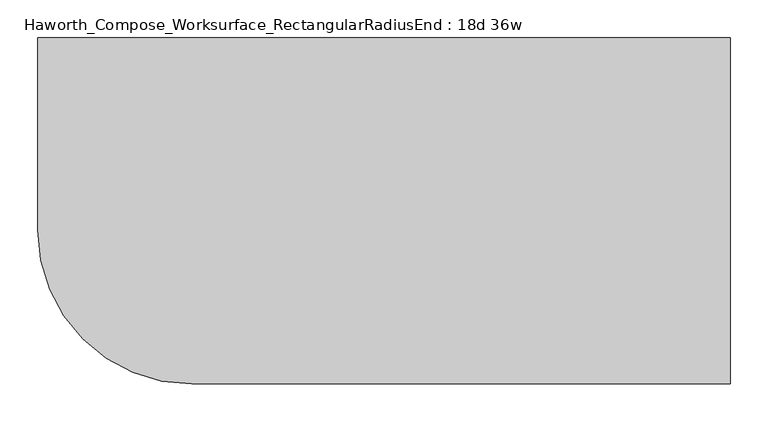
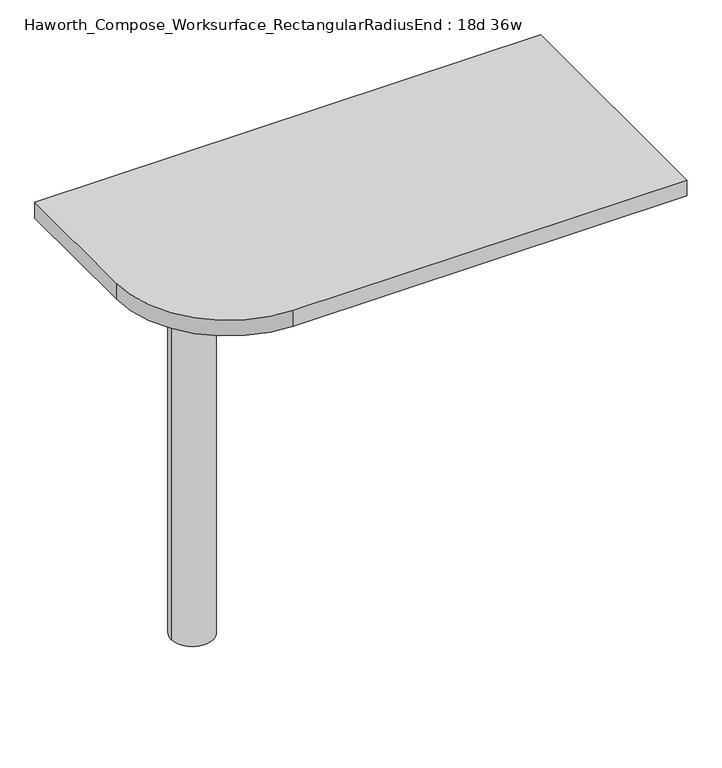
"""IFC4 building model written with IfcOpenShell, lengths in millimetres: furniture geometry, Haworth_Compose_Worksurface_RectangularRadiusEnd : 18d 36w."""

from ifc_helpers import new_model, si_unit, point, frame, frame_2d, origin, place, context, project, spatial, polyline, circle_curve, trimmed, segment, composite_curve, outline, extrude, source, transform, mapped, element, save
from ifc_brep_helpers import plane_surface, cylinder_surface, revolved_surface, advanced_brep


def haworth_compose_worksurface_rectangularradiusend_18d_36w_79e17497(model_context):
    return source(origin(), model_context, "Body", "SolidModel", [
        advanced_brep(
        [(451.64375, 228.6, 475.45625), (451.64375, 212.725, 475.45625), (451.64375, -177.8, 691.7192568), (451.64375, -177.8, 704.05625), (451.64375, 212.725, 704.05625), (451.64375, 228.6, 704.05625), (451.64375, 145.290072, 665.95625), (451.64375, 101.6355284, 665.95625), (451.64375, 98.9564235, 656.3705539), (451.64375, 190.6776173, 605.5776439), (451.64375, 200.025, 611.1756969), (451.64375, 200.025, 634.6860246), (451.64375, 198.2730055, 637.5242776), (451.64375, 148.3663437, 665.1613425), (454.025, 228.6, 475.45625), (454.025, 228.6, 704.05625), (454.025, 212.725, 704.05625), (454.025, 212.725, 706.4375), (454.025, -177.8, 706.4375), (454.025, -177.8, 691.7192568), (454.025, 212.725, 475.45625), (454.025, 145.290072, 665.95625), (454.025, 148.3663437, 665.1613425), (454.025, 198.2730055, 637.5242776), (454.025, 200.025, 634.6860246), (454.025, 200.025, 611.1756969), (454.025, 190.6776173, 605.5776439), (454.025, 98.9564235, 656.3705539), (454.025, 101.6355284, 665.95625), (412.75, -177.8, 706.4375), (412.75, -177.8, 704.05625), (412.75, 212.725, 704.05625), (412.75, 212.725, 706.4375)],
        [
            (0, 1),
            (1, 2),
            (2, 3),
            (3, 4),
            (4, 5),
            (5, 0),
            (6, 7),
            (7, 8, circle_curve(frame((451.64375, 101.6355284, 660.7890106), z_axis=(1.0, 0.0, 0.0), x_axis=(0.0, -1.0, 0.0)), 5.1672394)),
            (8, 9),
            (9, 10, circle_curve(frame((451.64375, 193.675, 611.1756969), z_axis=(1.0, 0.0, 0.0), x_axis=(0.0, -1.0, 0.0)), 6.35)),
            (10, 11),
            (11, 12, circle_curve(frame((451.64375, 196.85, 634.6860246), z_axis=(1.0, 0.0, 0.0), x_axis=(0.0, -1.0, 0.0)), 3.175)),
            (12, 13),
            (13, 6, circle_curve(frame((451.64375, 145.290072, 659.60625), z_axis=(1.0, 0.0, 0.0), x_axis=(0.0, -1.0, 0.0)), 6.35)),
            (14, 15),
            (15, 16),
            (16, 17),
            (17, 18),
            (18, 19),
            (19, 20),
            (20, 14),
            (21, 22, circle_curve(frame((454.025, 145.290072, 659.60625), z_axis=(-1.0, 0.0, 0.0), x_axis=(0.0, -1.0, 0.0)), 6.35)),
            (22, 23),
            (23, 24, circle_curve(frame((454.025, 196.85, 634.6860246), z_axis=(-1.0, 0.0, 0.0), x_axis=(0.0, -1.0, 0.0)), 3.175)),
            (24, 25),
            (25, 26, circle_curve(frame((454.025, 193.675, 611.1756969), z_axis=(-1.0, 0.0, 0.0), x_axis=(0.0, -1.0, 0.0)), 6.35)),
            (26, 27),
            (27, 28, circle_curve(frame((454.025, 101.6355284, 660.7890106), z_axis=(-1.0, 0.0, 0.0), x_axis=(0.0, -1.0, 0.0)), 5.1672394)),
            (28, 21),
            (4, 16),
            (15, 5),
            (14, 0),
            (20, 1),
            (19, 2),
            (18, 29),
            (29, 30),
            (30, 3),
            (6, 21),
            (28, 7),
            (9, 26),
            (25, 10),
            (24, 11),
            (23, 12),
            (27, 8),
            (31, 4),
            (30, 31),
            (32, 29),
            (17, 32),
            (31, 32),
            (22, 13),
        ],
        [
            plane_surface(frame((451.64375, 228.6, 475.45625), z_axis=(-1.0, 0.0, 0.0), x_axis=(0.0, 1.0, 0.0))),
            plane_surface(frame((454.025, 228.6, 475.45625), z_axis=(1.0, 0.0, 0.0), x_axis=(0.0, -1.0, 0.0))),
            plane_surface(frame((454.025, -177.8, 704.05625), z_axis=(0.0, 0.0, 1.0), x_axis=(-1.0, 0.0, 0.0))),
            plane_surface(frame((454.025, 228.6, 704.05625), z_axis=(0.0, 1.0, 0.0), x_axis=(-1.0, 0.0, 0.0))),
            plane_surface(frame((454.025, 228.6, 475.45625), z_axis=(0.0, 0.0, -1.0), x_axis=(-1.0, 0.0, 0.0))),
            plane_surface(frame((454.025, 212.725, 475.45625), z_axis=(0.0, -0.48445223513455843, -0.8748177135112952), x_axis=(-1.0, 0.0, 0.0))),
            plane_surface(frame((454.025, -177.8, 691.7192568), z_axis=(0.0, -1.0, 0.0), x_axis=(-1.0, 0.0, 0.0))),
            plane_surface(frame((454.025, 145.290072, 665.95625), z_axis=(0.0, 0.0, -1.0), x_axis=(-1.0, 0.0, 0.0))),
            revolved_surface(polyline([(451.64375, 187.32500000000002, 611.1756969), (454.025, 187.32500000000002, 611.1756969)]), (454.025, 193.675, 611.1756969), (-1.0, 0.0, 0.0)),
            plane_surface(frame((454.025, 200.025, 611.1756969), z_axis=(0.0, -1.0, 0.0), x_axis=(-1.0, 0.0, 0.0))),
            revolved_surface(polyline([(451.64375, 193.67499999999998, 634.6860246), (454.025, 193.67499999999998, 634.6860246)]), (454.025, 196.85, 634.6860246), (-1.0, 0.0, 0.0)),
            revolved_surface(polyline([(451.64375, 96.468289, 660.7890106), (454.025, 96.468289, 660.7890106)]), (454.025, 101.6355284, 660.7890106), (-1.0, 0.0, 0.0)),
            plane_surface(frame((454.025, 212.725, 704.05625), z_axis=(0.0, 0.0, -1.0), x_axis=(-1.0, 0.0, 0.0))),
            plane_surface(frame((454.025, 212.725, 706.4375), z_axis=(0.0, 0.0, 1.0), x_axis=(1.0, 0.0, 0.0))),
            plane_surface(frame((412.75, 212.725, 706.4375), z_axis=(0.0, 1.0, 0.0), x_axis=(0.0, 0.0, -1.0))),
            plane_surface(frame((412.75, -177.8, 706.4375), z_axis=(-1.0, 0.0, 0.0), x_axis=(0.0, 0.0, -1.0))),
            plane_surface(frame((454.025, 98.9564235, 656.3705539), z_axis=(0.0, 0.4844522351345583, 0.8748177135112953), x_axis=(-1.0, 0.0, 0.0))),
            plane_surface(frame((454.025, 198.2730055, 637.5242776), z_axis=(0.0, -0.4844522351345582, -0.8748177135112953), x_axis=(-1.0, 0.0, 0.0))),
            revolved_surface(polyline([(451.64375, 138.94007200000001, 659.60625), (454.025, 138.94007200000001, 659.60625)]), (454.025, 145.290072, 659.60625), (-1.0, 0.0, 0.0)),
        ],
        [
            (0, [[1, 2, 3, 4, 5, 6], [7, 8, 9, 10, 11, 12, 13, 14]]),
            (1, [[15, 16, 17, 18, 19, 20, 21], [22, 23, 24, 25, 26, 27, 28, 29]]),
            (2, [[-5, 30, -16, 31]]),
            (3, [[-31, -15, 32, -6]]),
            (4, [[-32, -21, 33, -1]]),
            (5, [[-33, -20, 34, -2]]),
            (6, [[-34, -19, 35, 36, 37, -3]]),
            (7, [[38, -29, 39, -7]]),
            (8, [[40, -26, 41, -10]]),
            (9, [[-41, -25, 42, -11]]),
            (10, [[-42, -24, 43, -12]]),
            (11, [[-39, -28, 44, -8]]),
            (12, [[45, -4, -37, 46]]),
            (13, [[47, -35, -18, 48]]),
            (14, [[-17, -30, -45, 49, -48]]),
            (15, [[-36, -47, -49, -46]]),
            (16, [[-44, -27, -40, -9]]),
            (17, [[-43, -23, 50, -13]]),
            (18, [[-50, -22, -38, -14]]),
        ],
    ),
        advanced_brep(
        [(-266.7, 0.0, 706.4375), (-342.9, 0.0, 706.4375), (-304.8, 0.0, 706.4375), (-266.7, 0.0, 0.0), (-342.9, 0.0, 0.0), (-304.8, 0.0, 0.0)],
        [
            (0, 1, circle_curve(frame((-304.8, 0.0, 706.4375), z_axis=(0.0, 0.0, 1.0), x_axis=(-1.0, 0.0, 0.0)), 38.1)),
            (1, 2),
            (2, 0),
            (1, 0, circle_curve(frame((-304.8, 0.0, 706.4375), z_axis=(0.0, 0.0, 1.0), x_axis=(-1.0, 0.0, 0.0)), 38.1)),
            (3, 4, circle_curve(frame((-304.8, 0.0, 0.0), z_axis=(0.0, 0.0, 1.0), x_axis=(-1.0, 0.0, 0.0)), 38.1)),
            (4, 1),
            (0, 3),
            (4, 3, circle_curve(frame((-304.8, 0.0, 0.0), z_axis=(0.0, 0.0, 1.0), x_axis=(-1.0, 0.0, 0.0)), 38.1)),
            (5, 4),
            (3, 5),
        ],
        [
            plane_surface(frame((-304.8, 0.0, 706.4375), z_axis=(0.0, 0.0, 1.0), x_axis=(-1.0, 0.0, 0.0))),
            cylinder_surface(frame((-304.8, 0.0, 889.623257), z_axis=(0.0, 0.0, -1.0), x_axis=(-1.0, 0.0, 0.0)), 38.1),
            plane_surface(frame((-304.8, 0.0, 0.0), z_axis=(0.0, 0.0, -1.0), x_axis=(-1.0, 0.0, 0.0))),
        ],
        [
            (0, [[1, 2, 3]]),
            (0, [[4, -3, -2]]),
            (1, [[5, 6, -1, 7]]),
            (1, [[8, -7, -4, -6]]),
            (2, [[9, -5, 10]]),
            (2, [[-10, -8, -9]]),
        ],
    ),
        extrude(outline(composite_curve([segment(polyline([(457.2, 228.6), (457.2, -228.6), (-254.0, -228.6)]), True, "CONTINUOUS"), segment(trimmed(circle_curve(frame_2d((-254.0, -25.4)), 203.2), [point((-254.0, -228.6))], [point((-457.2, -25.4))], False, "CARTESIAN"), True, "CONTINUOUS"), segment(polyline([(-457.2, -25.4), (-457.2, 228.6), (457.2, 228.6)]), True, "CONTINUOUS")], self_intersect=False)), frame((0.0, 0.0, 706.4375), z_axis=(0.0, 0.0, 1.0), x_axis=(1.0, 0.0, 0.0)), (0.0, 0.0, 1.0), 30.1625),
    ])


if __name__ == "__main__":
    model = new_model("IFC4")
    model_context = context("Model", 3, world=origin())
    ifc_project = project(units=[si_unit("LENGTHUNIT", "METRE", prefix="MILLI")], contexts=[model_context])
    site = spatial("IfcSite", under=ifc_project)
    building = spatial("IfcBuilding", under=site)
    placement = place(None, origin())
    haworth_compose_worksurface_rectangularradiusend_18d_36w_shape = haworth_compose_worksurface_rectangularradiusend_18d_36w_79e17497(model_context)
    element("IfcFurniture", 1, ObjectType="Haworth_Compose_Worksurface_RectangularRadiusEnd : 18d 36w", at=placement, inside=building, context=model_context, shape_type="MappedRepresentation", body=[
        mapped(haworth_compose_worksurface_rectangularradiusend_18d_36w_shape, transform((0.0, 0.0, 0.0), x_axis=(1.0, 0.0, 0.0), y_axis=(0.0, 1.0, 0.0), z_axis=(0.0, 0.0, 1.0))),
    ])
    save(model, "model.ifc")
